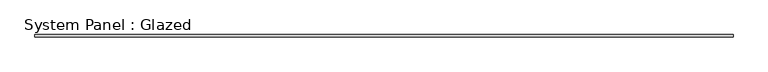
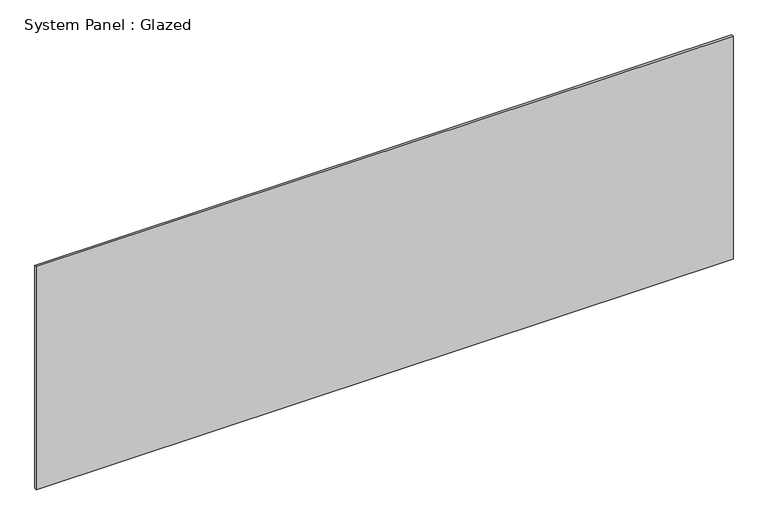
"""IFC4 building model written with IfcOpenShell, lengths in millimetres: plate geometry, System Panel : Glazed."""

from ifc_helpers import new_model, si_unit, origin, origin_with_axes, place, context, project, spatial, polyline, outline, extrude, source, transform, mapped, element, save


def system_panel_glazed_66487f7d(model_context):
    return source(origin(), model_context, "Body", "SweptSolid", [
        extrude(outline(polyline([(3975.1, 19.05), (-3975.1, 19.05), (-3975.1, 44.45), (3975.1, 44.45), (3975.1, 19.05)])), origin_with_axes(), (0.0, 0.0, 1.0), 2692.4),
    ])


if __name__ == "__main__":
    model = new_model("IFC4")
    model_context = context("Model", 3, world=origin())
    ifc_project = project(units=[si_unit("LENGTHUNIT", "METRE", prefix="MILLI")], contexts=[model_context])
    site = spatial("IfcSite", under=ifc_project)
    building = spatial("IfcBuilding", under=site)
    placement = place(None, origin())
    system_panel_glazed_shape = system_panel_glazed_66487f7d(model_context)
    element("IfcPlate", 1, ObjectType="System Panel : Glazed", at=placement, inside=building, context=model_context, shape_type="MappedRepresentation", body=[
        mapped(system_panel_glazed_shape, transform((0.0, 0.0, 0.0), x_axis=(1.0, 0.0, 0.0), y_axis=(0.0, 1.0, 0.0), z_axis=(0.0, 0.0, 1.0))),
    ])
    save(model, "model.ifc")
